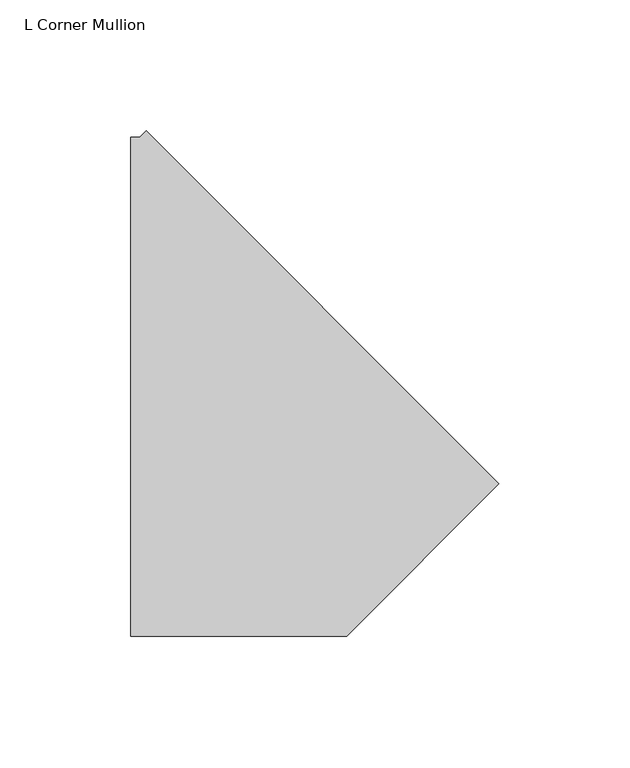
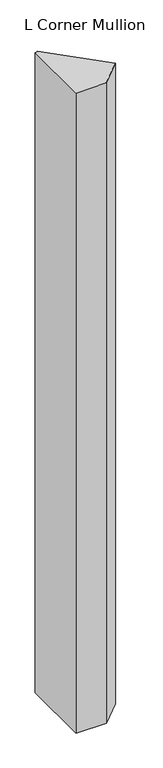
"""IFC4 building model written with IfcOpenShell, lengths in millimetres: member geometry, L Corner Mullion."""

from ifc_helpers import new_model, si_unit, frame, origin, place, context, project, spatial, polyline, outline, extrude, source, transform, mapped, element, save


def l_corner_mullion_463e9c0f(model_context):
    return source(origin(), model_context, "Body", "SweptSolid", [
        extrude(outline(polyline([(121.3325904, -94.1935565), (63.1261469, -152.4), (-19.1901949, -152.4), (-19.1901949, 38.1), (-15.7815367, 38.1), (-13.3712514, 40.5102853), (121.3325904, -94.1935565)])), frame((0.0, 0.0, -1828.8), z_axis=(0.0, 0.0, 1.0), x_axis=(1.0, 0.0, 0.0)), (0.0, 0.0, 1.0), 1828.8),
    ])


if __name__ == "__main__":
    model = new_model("IFC4")
    model_context = context("Model", 3, world=origin())
    ifc_project = project(units=[si_unit("LENGTHUNIT", "METRE", prefix="MILLI")], contexts=[model_context])
    site = spatial("IfcSite", under=ifc_project)
    building = spatial("IfcBuilding", under=site)
    placement = place(None, origin())
    l_corner_mullion_shape = l_corner_mullion_463e9c0f(model_context)
    element("IfcMember", 1, ObjectType="L Corner Mullion", at=placement, inside=building, context=model_context, shape_type="MappedRepresentation", body=[
        mapped(l_corner_mullion_shape, transform((0.0, 0.0, 0.0), x_axis=(1.0, 0.0, 0.0), y_axis=(0.0, 1.0, 0.0), z_axis=(0.0, 0.0, 1.0))),
    ])
    save(model, "model.ifc")
